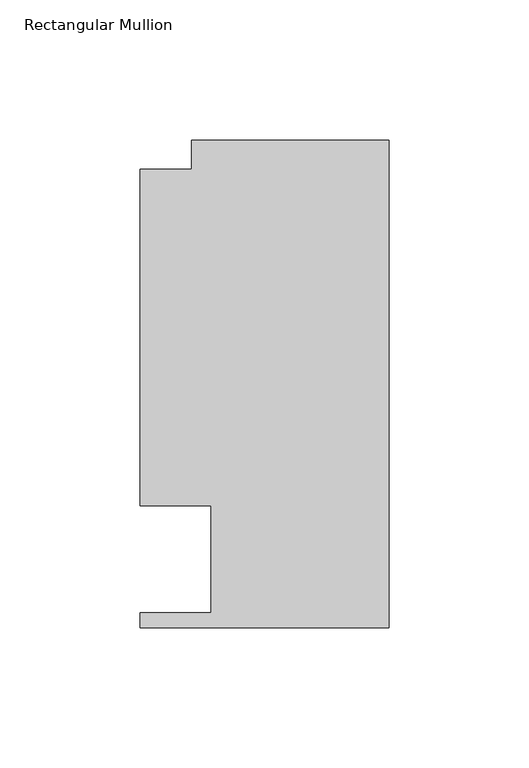
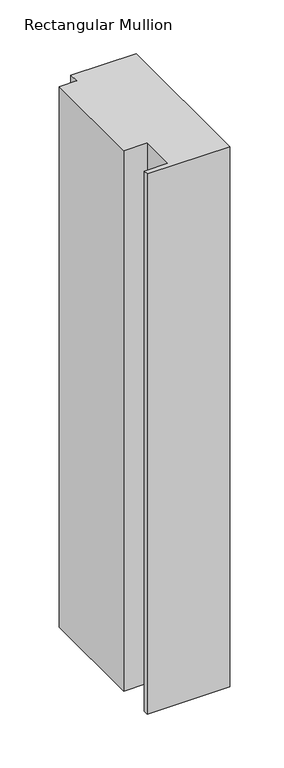
"""IFC4 building model written with IfcOpenShell, lengths in millimetres: member geometry, Rectangular Mullion."""

from ifc_helpers import new_model, si_unit, frame, origin, place, context, project, spatial, polyline, outline, extrude, source, transform, mapped, element, save


def rectangular_mullion_040deae7(model_context):
    return source(origin(), model_context, "Body", "SweptSolid", [
        extrude(outline(polyline([(-88.9131928, 151.892), (-70.395709, 151.892), (-70.395709, 162.3059961), (0.0, 162.3059961), (0.0, -11.684), (-88.9131928, -11.684), (-88.9131928, -6.35), (-63.5131928, -6.35), (-63.5131928, 31.75), (-88.9131928, 31.75), (-88.9131928, 151.892)])), frame((0.0, 0.0, -614.2400402), z_axis=(0.0, 0.0, 1.0), x_axis=(1.0, 0.0, 0.0)), (0.0, 0.0, 1.0), 614.2400402),
    ])


if __name__ == "__main__":
    model = new_model("IFC4")
    model_context = context("Model", 3, world=origin())
    ifc_project = project(units=[si_unit("LENGTHUNIT", "METRE", prefix="MILLI")], contexts=[model_context])
    site = spatial("IfcSite", under=ifc_project)
    building = spatial("IfcBuilding", under=site)
    placement = place(None, origin())
    rectangular_mullion_shape = rectangular_mullion_040deae7(model_context)
    element("IfcMember", 1, ObjectType="Rectangular Mullion", at=placement, inside=building, context=model_context, shape_type="MappedRepresentation", body=[
        mapped(rectangular_mullion_shape, transform((0.0, 0.0, 0.0), x_axis=(1.0, 0.0, 0.0), y_axis=(0.0, 1.0, 0.0), z_axis=(0.0, 0.0, 1.0))),
    ])
    save(model, "model.ifc")
